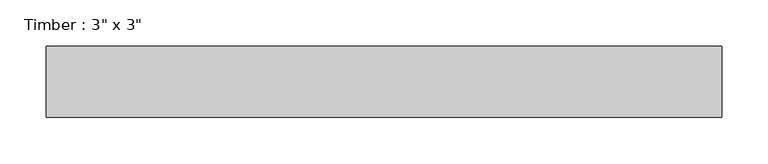
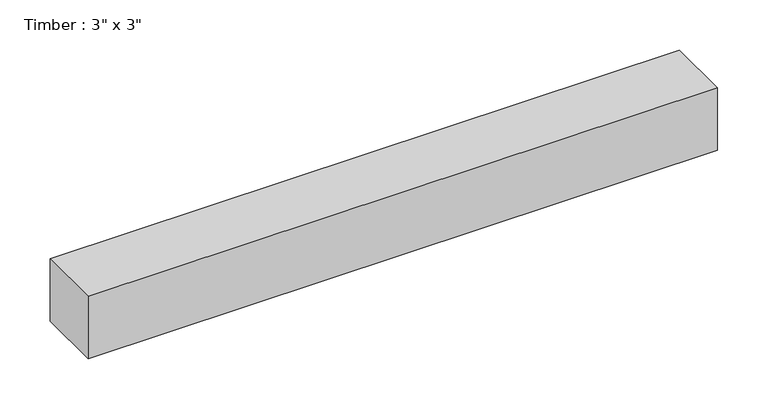
"""IFC4 building model written with IfcOpenShell, lengths in millimetres: beam geometry."""

from ifc_helpers import new_model, si_unit, frame, origin, place, context, project, spatial, polyline, outline, extrude, source, transform, mapped, element, save


def beam_3002fcef(model_context):
    return source(origin(), model_context, "Body", "SweptSolid", [
        extrude(outline(polyline([(363.5375, 38.1), (363.5375, -38.1), (-363.5375, -38.1), (-363.5375, 38.1), (363.5375, 38.1)])), frame((0.0, 0.0, -38.1), z_axis=(0.0, 0.0, 1.0), x_axis=(1.0, 0.0, 0.0)), (0.0, 0.0, 1.0), 76.2),
    ])


if __name__ == "__main__":
    model = new_model("IFC4")
    model_context = context("Model", 3, world=origin())
    ifc_project = project(units=[si_unit("LENGTHUNIT", "METRE", prefix="MILLI")], contexts=[model_context])
    site = spatial("IfcSite", under=ifc_project)
    building = spatial("IfcBuilding", under=site)
    placement = place(None, origin())
    beam_shape = beam_3002fcef(model_context)
    element("IfcBeam", 1, ObjectType="Timber : 3\" x 3\"", at=placement, inside=building, context=model_context, shape_type="MappedRepresentation", body=[
        mapped(beam_shape, transform((0.0, 0.0, 0.0), x_axis=(1.0, 0.0, 0.0), y_axis=(0.0, 1.0, 0.0), z_axis=(0.0, 0.0, 1.0))),
    ])
    save(model, "model.ifc")
